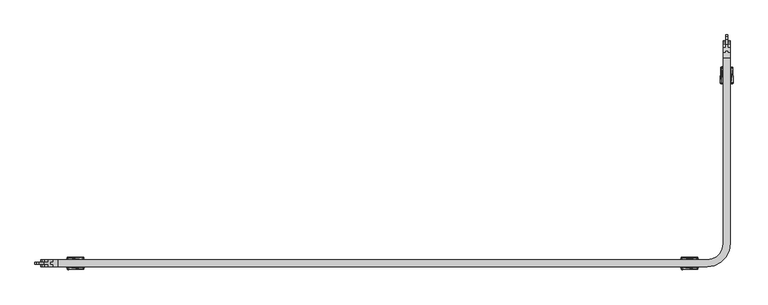
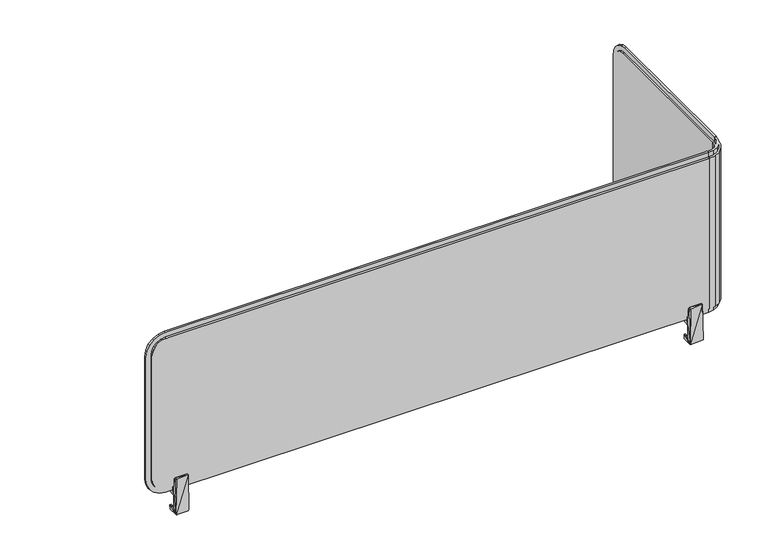
"""IFC4 building model written with IfcOpenShell, lengths in millimetres: furniture geometry."""

from ifc_helpers import new_model, si_unit, origin, place, context, project, spatial, triangles, source, transform, mapped, element, save


def furniture_8d1a7c60(model_context):
    return source(origin(), model_context, "Body", "Tessellation", [
        triangles([(3256.1908272, 2993.8171426, 1058.9999674), (3256.1908272, 2644.0671247, 1089.0000257), (3256.1908272, 2963.8171206, 1089.0000257), (3256.1908272, 2644.0671247, 760.9999884), (3256.1908272, 2993.8171426, 790.9999741), (3256.1908272, 2963.8171206, 760.9999884), (3256.1908272, 2992.3491363, 781.7290283), (3256.1908272, 2988.0881318, 773.3660213), (3256.1908272, 2981.4511459, 766.7289991), (3256.1908272, 2973.088139, 762.4679947), (3256.1908272, 2992.3491363, 1068.2709858), (3256.1908272, 2988.0881318, 1076.6339928), (3256.1908272, 2981.4511459, 1083.271015), (3256.1908272, 2973.088139, 1087.5320194), (3258.5778545, 2633.7861388, 760.9999884), (3256.1898462, 2643.567137, 760.9999884), (3260.1898564, 2643.567137, 760.9999884), (3254.7738352, 2635.0221281, 760.9999884), (3254.0498242, 2624.9671277, 760.9999884), (3250.8138299, 2627.319128, 760.9999884), (3247.0408407, 2617.958126, 760.9999884), (3244.6888404, 2621.1941385, 760.9999884), (3238.2218296, 2613.4301321, 760.9999884), (3236.9858585, 2617.2341332, 760.9999884), (3228.4408496, 2611.8181302, 760.9999884), (3228.4408496, 2615.8181404, 760.9999884), (3254.7738352, 2635.0221281, 1089.0000257), (3256.1898462, 2643.567137, 1089.0000257), (3250.8138299, 2627.319128, 1089.0000257), (3244.6888404, 2621.1941385, 1089.0000257), (3236.9858585, 2617.2341332, 1089.0000257), (3228.4408496, 2615.8181404, 1089.0000257), (3227.9408437, 2615.817123, 1089.0000257), (3227.9408437, 2611.817131, 760.9999884), (3227.9408437, 2615.817123, 760.9999884), (3227.9408437, 2611.817131, 1089.0000257), (3227.9408437, 2607.8171389, 760.9999884), (3227.9408437, 2607.8171389, 1089.0000257), (3227.9408437, 2604.8171404, 760.9999884), (3227.9408437, 2604.8171404, 1089.0000257), (3227.9408437, 2607.8171389, 751.0000174), (3227.9408437, 2611.817131, 751.0000174), (3227.9408437, 2611.817131, 1098.9999968), (3227.9408437, 2607.8171389, 1098.9999968), (2078.1907834, 2615.817123, 1058.9999674), (2078.1907834, 2615.817123, 790.9999741), (2108.1908417, 2615.817123, 760.9999884), (2079.6588624, 2615.817123, 781.7290283), (2083.9197941, 2615.817123, 773.3660213), (2108.1908417, 2615.817123, 1089.0000257), (2079.6588624, 2615.817123, 1068.2709858), (2083.9197941, 2615.817123, 1076.6339928), (2090.556889, 2615.817123, 1083.271015), (2098.920768, 2615.817123, 1087.5320194), (2090.556889, 2615.817123, 766.7289991), (2098.920768, 2615.817123, 762.4679947), (3264.1908476, 2644.0671247, 760.9999884), (3260.1908374, 2644.0671247, 751.0000174), (3264.1908476, 2644.0671247, 751.0000174), (3260.1908374, 2644.0671247, 760.9999884), (3264.1908476, 2644.0671247, 1089.0000257), (3260.1908374, 2644.0671247, 1089.0000257), (3264.1908476, 2644.0671247, 1098.9999968), (3260.1908374, 2644.0671247, 1098.9999968), (3267.1908462, 2644.0671247, 1089.0000257), (3267.1908462, 2644.0671247, 760.9999884), (3264.1898303, 2643.567137, 1089.0000257), (3260.1898564, 2643.567137, 1098.9999968), (3264.1898303, 2643.567137, 1098.9999968), (3260.1898564, 2643.567137, 1089.0000257), (3264.1898303, 2643.567137, 751.0000174), (3260.1898564, 2643.567137, 751.0000174), (3264.1898303, 2643.567137, 760.9999884), (3267.1908462, 2643.567137, 1089.0000257), (3267.1908462, 2643.567137, 760.9999884), (3228.4408496, 2607.8181381, 760.9999884), (3228.4408496, 2611.8181302, 751.0000174), (3228.4408496, 2607.8181381, 751.0000174), (3228.4408496, 2607.8181381, 1089.0000257), (3228.4408496, 2611.8181302, 1089.0000257), (3228.4408496, 2607.8181381, 1098.9999968), (3228.4408496, 2611.8181302, 1098.9999968), (3228.4408496, 2604.8171404, 1089.0000257), (3228.4408496, 2604.8171404, 760.9999884), (3240.5518472, 2605.7751306, 760.9999884), (3228.1908285, 2603.8171287, 1089.0000257), (3228.1908285, 2603.8171287, 760.9999884), (3240.5518472, 2605.7751306, 1089.0000257), (3251.7018571, 2611.4561247, 760.9999884), (3251.7018571, 2611.4561247, 1089.0000257), (3260.5518256, 2620.3061295, 760.9999884), (3260.5518256, 2620.3061295, 1089.0000257), (3266.2328378, 2631.4561393, 760.9999884), (3266.2328378, 2631.4561393, 1089.0000257), (3268.1908579, 2643.8171399, 760.9999884), (3268.1908579, 2643.8171399, 1089.0000257), (3260.1908374, 2963.8171206, 760.9999884), (3260.1908374, 2963.8171206, 1089.0000257), (3260.1908374, 2993.8171426, 790.9999741), (3260.1908374, 2992.3491363, 781.7290283), (3260.1908374, 2988.0881318, 773.3660213), (3260.1908374, 2981.4511459, 766.7289991), (3260.1908374, 2973.088139, 762.4679947), (3260.1908374, 2993.8171426, 1058.9999674), (3260.1908374, 2973.088139, 1087.5320194), (3260.1908374, 2981.4511459, 1083.271015), (3260.1908374, 2988.0881318, 1076.6339928), (3260.1908374, 2992.3491363, 1068.2709858), (3238.2218296, 2613.4301321, 1089.0000257), (3247.0408407, 2617.958126, 1089.0000257), (3254.0498242, 2624.9671277, 1089.0000257), (3258.5778545, 2633.7861388, 1089.0000257), (2108.1908417, 2611.817131, 1089.0000257), (2108.1908417, 2611.817131, 760.9999884), (2078.1907834, 2611.817131, 1058.9999674), (2079.6588624, 2611.817131, 1068.2709858), (2083.9197941, 2611.817131, 1076.6339928), (2090.556889, 2611.817131, 1083.271015), (2098.920768, 2611.817131, 1087.5320194), (2078.1907834, 2611.817131, 790.9999741), (2098.920768, 2611.817131, 762.4679947), (2090.556889, 2611.817131, 766.7289991), (2083.9197941, 2611.817131, 773.3660213), (2079.6588624, 2611.817131, 781.7290283), (3262.3818374, 2632.5501314, 751.0000174), (3258.5778545, 2633.7861388, 751.0000174), (3257.2858549, 2622.6161266, 751.0000174), (3254.0498242, 2624.9671277, 751.0000174), (3247.0408407, 2617.958126, 751.0000174), (3249.3918236, 2614.7221317, 751.0000174), (3238.2218296, 2613.4301321, 751.0000174), (3239.457837, 2609.626131, 751.0000174), (3260.1908374, 2963.8171206, 751.0000174), (3264.1908476, 2963.8171206, 751.0000174), (2108.1908417, 2611.817131, 751.0000174), (2108.1908417, 2607.8171389, 751.0000174), (3262.3818374, 2632.5501314, 760.9999884), (3257.2858549, 2622.6161266, 760.9999884), (3249.3918236, 2614.7221317, 760.9999884), (3239.457837, 2609.626131, 760.9999884), (3264.1908476, 2963.8171206, 760.9999884), (3268.1908579, 2963.8171206, 760.9999884), (2108.1908417, 2603.8171287, 760.9999884), (2108.1908417, 2607.8171389, 760.9999884), (3264.1908476, 2963.8171206, 1089.0000257), (3264.1908476, 2963.8171206, 1098.9999968), (3264.1908476, 2976.1781393, 1097.0419767), (3264.1908476, 2973.088139, 1087.5320194), (3264.1908476, 2987.3281491, 1091.3610008), (3264.1908476, 2981.4511459, 1083.271015), (3264.1908476, 2996.1781177, 1082.5110323), (3264.1908476, 2988.0881318, 1076.6339928), (3264.1908476, 3001.8591299, 1071.3609861), (3264.1908476, 2992.3491363, 1068.2709858), (3264.1908476, 3003.8171136, 1058.9999674), (3264.1908476, 2993.8171426, 1058.9999674), (3264.1908476, 3003.8171136, 790.9999741), (3264.1908476, 2993.8171426, 790.9999741), (3264.1908476, 2992.3491363, 781.7290283), (3264.1908476, 3001.8591299, 778.639028), (3264.1908476, 2988.0881318, 773.3660213), (3264.1908476, 2996.1781177, 767.4889818), (3264.1908476, 2981.4511459, 766.7289991), (3264.1908476, 2987.3281491, 758.6390133), (3264.1908476, 2973.088139, 762.4679947), (3264.1908476, 2976.1781393, 752.9579647), (3268.1908579, 2963.8171206, 1089.0000257), (3262.3818374, 2632.5501314, 1089.0000257), (3257.2858549, 2622.6161266, 1089.0000257), (3249.3918236, 2614.7221317, 1089.0000257), (3239.457837, 2609.626131, 1089.0000257), (2108.1908417, 2603.8171287, 1089.0000257), (2108.1908417, 2607.8171389, 1089.0000257), (2108.1908417, 2611.817131, 1098.9999968), (2095.829823, 2611.817131, 1097.0419767), (2084.6797768, 2611.817131, 1091.3610008), (2075.829881, 2611.817131, 1082.5110323), (2070.1488324, 2611.817131, 1071.3609861), (2068.1908124, 2611.817131, 1058.9999674), (2068.1908124, 2611.817131, 790.9999741), (2070.1488324, 2611.817131, 778.639028), (2075.829881, 2611.817131, 767.4889818), (2084.6797768, 2611.817131, 758.6390133), (2095.829823, 2611.817131, 752.9579647), (3260.1908374, 3003.8171136, 1058.9999674), (3260.1908374, 3001.8591299, 1071.3609861), (3260.1908374, 2996.1781177, 1082.5110323), (3260.1908374, 2987.3281491, 1091.3610008), (3260.1908374, 2976.1781393, 1097.0419767), (3260.1908374, 2963.8171206, 1098.9999968), (3260.1908374, 3003.8171136, 790.9999741), (3260.1908374, 3001.8591299, 778.639028), (3260.1908374, 2996.1781177, 767.4889818), (3260.1908374, 2987.3281491, 758.6390133), (3260.1908374, 2976.1781393, 752.9579647), (3262.3818374, 2632.5501314, 1098.9999968), (3258.5778545, 2633.7861388, 1098.9999968), (3257.2858549, 2622.6161266, 1098.9999968), (3254.0498242, 2624.9671277, 1098.9999968), (3247.0408407, 2617.958126, 1098.9999968), (3249.3918236, 2614.7221317, 1098.9999968), (3238.2218296, 2613.4301321, 1098.9999968), (3239.457837, 2609.626131, 1098.9999968), (2108.1908417, 2607.8171389, 1098.9999968), (2095.829823, 2607.8171389, 1097.0419767), (2084.6797768, 2607.8171389, 1091.3610008), (2075.829881, 2607.8171389, 1082.5110323), (2070.1488324, 2607.8171389, 1071.3609861), (2068.1908124, 2607.8171389, 1058.9999674), (2098.920768, 2607.8171389, 1087.5320194), (2090.556889, 2607.8171389, 1083.271015), (2083.9197941, 2607.8171389, 1076.6339928), (2079.6588624, 2607.8171389, 1068.2709858), (2078.1907834, 2607.8171389, 1058.9999674), (2078.1907834, 2607.8171389, 790.9999741), (2068.1908124, 2607.8171389, 790.9999741), (2079.6588624, 2607.8171389, 781.7290283), (2070.1488324, 2607.8171389, 778.639028), (2083.9197941, 2607.8171389, 773.3660213), (2075.829881, 2607.8171389, 767.4889818), (2090.556889, 2607.8171389, 766.7289991), (2084.6797768, 2607.8171389, 758.6390133), (2098.920768, 2607.8171389, 762.4679947), (2095.829823, 2607.8171389, 752.9579647), (2098.920768, 2603.8171287, 762.4679947), (2090.556889, 2603.8171287, 766.7289991), (2083.9197941, 2603.8171287, 773.3660213), (2079.6588624, 2603.8171287, 781.7290283), (2078.1907834, 2603.8171287, 790.9999741), (2078.1907834, 2603.8171287, 1058.9999674), (2079.6588624, 2603.8171287, 1068.2709858), (2083.9197941, 2603.8171287, 1076.6339928), (2090.556889, 2603.8171287, 1083.271015), (2098.920768, 2603.8171287, 1087.5320194), (3268.1908579, 2993.8171426, 790.9999741), (3268.1908579, 2992.3491363, 781.7290283), (3268.1908579, 2981.4511459, 1083.271015), (3268.1908579, 2973.088139, 1087.5320194), (3268.1908579, 2988.0881318, 1076.6339928), (3268.1908579, 2992.3491363, 1068.2709858), (3268.1908579, 2993.8171426, 1058.9999674), (3268.1908579, 2988.0881318, 773.3660213), (3268.1908579, 2981.4511459, 766.7289991), (3268.1908579, 2973.088139, 762.4679947)], [[1, 2, 3], [4, 2, 1], [1, 5, 4], [5, 6, 4], [5, 7, 6], [7, 8, 6], [8, 9, 6], [9, 10, 6], [3, 11, 1], [3, 12, 11], [3, 13, 12], [3, 14, 13], [15, 16, 17], [15, 18, 16], [19, 18, 15], [19, 20, 18], [21, 20, 19], [21, 22, 20], [23, 22, 21], [23, 24, 22], [25, 24, 23], [25, 26, 24], [16, 27, 28], [18, 27, 16], [29, 27, 18], [20, 29, 18], [30, 29, 20], [22, 30, 20], [24, 30, 22], [31, 30, 24], [32, 31, 24], [24, 26, 32], [33, 34, 35], [36, 34, 33], [37, 34, 36], [38, 37, 36], [39, 37, 38], [40, 39, 38], [34, 41, 42], [37, 41, 34], [38, 43, 44], [36, 43, 38], [35, 45, 33], [35, 46, 45], [35, 47, 46], [47, 48, 46], [47, 49, 48], [45, 50, 33], [45, 51, 50], [51, 52, 50], [52, 53, 50], [53, 54, 50], [47, 55, 49], [47, 56, 55], [57, 58, 59], [60, 58, 57], [61, 60, 57], [62, 60, 61], [63, 62, 61], [64, 62, 63], [62, 4, 60], [2, 4, 62], [57, 65, 61], [66, 65, 57], [67, 68, 69], [70, 68, 67], [17, 70, 67], [28, 70, 17], [16, 28, 17], [17, 71, 72], [73, 71, 17], [67, 73, 17], [74, 73, 67], [75, 73, 74], [76, 77, 78], [25, 77, 76], [79, 25, 76], [80, 25, 79], [81, 80, 79], [82, 80, 81], [25, 32, 26], [80, 32, 25], [76, 83, 79], [84, 83, 76], [66, 74, 65], [75, 74, 66], [84, 40, 83], [39, 40, 84], [85, 86, 87], [88, 86, 85], [89, 88, 85], [90, 88, 89], [91, 90, 89], [92, 90, 91], [93, 92, 91], [94, 92, 93], [95, 94, 93], [96, 94, 95], [6, 60, 4], [97, 60, 6], [2, 98, 3], [62, 98, 2], [99, 7, 5], [100, 7, 99], [8, 7, 100], [101, 8, 100], [9, 8, 101], [102, 9, 101], [10, 9, 102], [103, 10, 102], [97, 10, 103], [6, 10, 97], [1, 99, 5], [104, 99, 1], [98, 14, 3], [105, 14, 98], [13, 14, 105], [106, 13, 105], [12, 13, 106], [107, 12, 106], [11, 12, 107], [108, 11, 107], [104, 11, 108], [1, 11, 104], [80, 31, 32], [109, 31, 80], [30, 31, 109], [110, 30, 109], [29, 30, 110], [111, 29, 110], [27, 29, 111], [112, 27, 111], [28, 27, 112], [70, 28, 112], [33, 113, 36], [50, 113, 33], [34, 47, 35], [114, 47, 34], [115, 51, 45], [116, 51, 115], [52, 51, 116], [117, 52, 116], [53, 52, 117], [118, 53, 117], [54, 53, 118], [119, 54, 118], [113, 54, 119], [50, 54, 113], [46, 115, 45], [120, 115, 46], [114, 56, 47], [121, 56, 114], [55, 56, 121], [122, 55, 121], [49, 55, 122], [123, 49, 122], [48, 49, 123], [124, 48, 123], [120, 48, 124], [46, 48, 120], [125, 72, 71], [125, 126, 72], [127, 126, 125], [127, 128, 126], [129, 128, 127], [130, 129, 127], [131, 129, 130], [132, 131, 130], [77, 131, 132], [78, 77, 132], [133, 59, 58], [134, 59, 133], [41, 135, 42], [136, 135, 41], [72, 15, 17], [126, 15, 72], [19, 15, 126], [128, 19, 126], [21, 19, 128], [129, 21, 128], [23, 21, 129], [131, 23, 129], [77, 23, 131], [25, 23, 77], [73, 125, 71], [137, 125, 73], [127, 125, 137], [138, 127, 137], [130, 127, 138], [139, 130, 138], [132, 130, 139], [140, 132, 139], [76, 132, 140], [78, 132, 76], [141, 66, 57], [142, 66, 141], [95, 66, 142], [75, 66, 95], [93, 75, 95], [137, 75, 93], [138, 137, 93], [137, 73, 75], [91, 138, 93], [139, 138, 91], [89, 139, 91], [140, 139, 89], [85, 140, 89], [76, 140, 85], [84, 76, 85], [87, 84, 85], [39, 84, 87], [143, 39, 87], [144, 39, 143], [37, 39, 144], [145, 63, 61], [146, 63, 145], [147, 146, 145], [145, 148, 147], [149, 147, 148], [148, 150, 149], [151, 149, 150], [150, 152, 151], [153, 151, 152], [152, 154, 153], [155, 153, 154], [154, 156, 155], [157, 155, 156], [158, 157, 156], [159, 157, 158], [160, 157, 159], [161, 160, 159], [162, 160, 161], [163, 162, 161], [164, 162, 163], [165, 164, 163], [166, 164, 165], [141, 166, 165], [134, 166, 141], [57, 134, 141], [59, 134, 57], [65, 145, 61], [167, 145, 65], [96, 167, 65], [74, 96, 65], [94, 96, 74], [168, 94, 74], [169, 94, 168], [92, 94, 169], [170, 92, 169], [90, 92, 170], [171, 90, 170], [88, 90, 171], [79, 88, 171], [83, 88, 79], [86, 88, 83], [40, 86, 83], [172, 86, 40], [173, 172, 40], [40, 38, 173], [74, 67, 168], [113, 43, 36], [174, 43, 113], [175, 174, 113], [113, 176, 175], [113, 119, 176], [119, 118, 176], [177, 176, 118], [118, 117, 177], [178, 177, 117], [117, 116, 178], [179, 178, 116], [116, 115, 179], [180, 179, 115], [120, 180, 115], [124, 180, 120], [181, 180, 124], [123, 181, 124], [182, 181, 123], [122, 182, 123], [183, 182, 122], [121, 183, 122], [114, 183, 121], [114, 184, 183], [135, 184, 114], [135, 34, 42], [114, 34, 135], [185, 108, 186], [185, 104, 108], [99, 104, 185], [107, 186, 108], [187, 186, 107], [106, 187, 107], [188, 187, 106], [105, 188, 106], [189, 188, 105], [98, 189, 105], [190, 189, 98], [62, 190, 98], [64, 190, 62], [191, 99, 185], [100, 99, 191], [192, 100, 191], [101, 100, 192], [193, 101, 192], [102, 101, 193], [194, 102, 193], [103, 102, 194], [195, 103, 194], [97, 103, 195], [133, 97, 195], [58, 97, 133], [60, 97, 58], [68, 196, 69], [68, 197, 196], [198, 196, 197], [197, 199, 198], [200, 198, 199], [201, 198, 200], [202, 201, 200], [203, 201, 202], [82, 203, 202], [81, 203, 82], [64, 146, 190], [63, 146, 64], [204, 43, 174], [44, 43, 204], [112, 68, 70], [197, 68, 112], [199, 197, 112], [111, 199, 112], [200, 199, 111], [110, 200, 111], [202, 200, 110], [109, 202, 110], [82, 202, 109], [80, 82, 109], [196, 67, 69], [168, 67, 196], [169, 168, 196], [198, 169, 196], [170, 169, 198], [201, 170, 198], [171, 170, 201], [203, 171, 201], [79, 171, 203], [81, 79, 203], [186, 155, 185], [153, 155, 186], [187, 153, 186], [151, 153, 187], [188, 151, 187], [149, 151, 188], [189, 149, 188], [147, 149, 189], [190, 147, 189], [146, 147, 190], [157, 185, 155], [191, 185, 157], [160, 191, 157], [192, 191, 160], [162, 192, 160], [193, 192, 162], [164, 193, 162], [194, 193, 164], [166, 194, 164], [195, 194, 166], [134, 195, 166], [133, 195, 134], [175, 204, 174], [205, 204, 175], [176, 205, 175], [206, 205, 176], [177, 206, 176], [207, 206, 177], [178, 207, 177], [208, 207, 178], [179, 208, 178], [209, 208, 179], [204, 38, 44], [173, 38, 204], [205, 173, 204], [206, 173, 205], [206, 210, 173], [206, 211, 210], [207, 211, 206], [207, 212, 211], [208, 212, 207], [208, 213, 212], [209, 213, 208], [209, 214, 213], [215, 214, 209], [216, 215, 209], [217, 215, 216], [218, 217, 216], [219, 217, 218], [220, 219, 218], [221, 219, 220], [222, 221, 220], [223, 221, 222], [144, 223, 222], [144, 41, 37], [136, 41, 144], [224, 136, 144], [144, 222, 224], [143, 223, 144], [225, 223, 143], [221, 223, 225], [226, 221, 225], [219, 221, 226], [227, 219, 226], [217, 219, 227], [228, 217, 227], [229, 217, 228], [215, 217, 229], [86, 172, 230], [172, 231, 230], [172, 232, 231], [230, 87, 86], [230, 229, 87], [229, 143, 87], [229, 228, 143], [228, 227, 143], [227, 226, 143], [226, 225, 143], [172, 233, 232], [172, 234, 233], [230, 213, 214], [231, 213, 230], [212, 213, 231], [232, 212, 231], [211, 212, 232], [233, 211, 232], [210, 211, 233], [234, 210, 233], [172, 210, 234], [173, 210, 172], [230, 215, 229], [214, 215, 230], [95, 167, 96], [142, 167, 95], [142, 235, 167], [142, 236, 235], [167, 237, 238], [239, 237, 167], [240, 239, 167], [167, 241, 240], [235, 241, 167], [142, 242, 236], [142, 243, 242], [142, 244, 243], [235, 156, 241], [158, 156, 235], [235, 159, 158], [236, 159, 235], [161, 159, 236], [242, 161, 236], [163, 161, 242], [243, 163, 242], [165, 163, 243], [244, 165, 243], [142, 165, 244], [141, 165, 142], [167, 148, 145], [238, 148, 167], [150, 148, 238], [237, 150, 238], [152, 150, 237], [239, 152, 237], [154, 152, 239], [240, 154, 239], [241, 154, 240], [156, 154, 241], [209, 180, 216], [179, 180, 209], [181, 216, 180], [218, 216, 181], [182, 218, 181], [220, 218, 182], [183, 220, 182], [222, 220, 183], [184, 222, 183], [224, 222, 184], [135, 224, 184], [136, 224, 135]]),
        triangles([(2153.0568532, 2603.8171287, 740.9999737), (2153.0568532, 2603.8171287, 712.4999691), (2150.1908944, 2603.8171287, 713.0000113), (2123.3248017, 2603.8171287, 740.9999737), (2126.1909058, 2603.8171287, 713.0000113), (2123.3248017, 2603.8171287, 712.4999691), (2150.1908944, 2603.8171287, 699.4169741), (2126.1909058, 2603.8171287, 699.4169741), (2152.4298566, 2599.791139, 701.5530355), (2150.6378148, 2599.791139, 778.7390219), (2153.1828629, 2603.5011233, 764.6909695), (2152.5068867, 2603.1791408, 776.9910181), (2152.6347859, 2620.0821243, 741.5000158), (2152.9849099, 2611.6921386, 751.0000174), (2153.0898453, 2607.6921284, 751.0000174), (2153.0898453, 2607.6921284, 760.5000189), (2152.8828812, 2615.5671383, 764.3750004), (2152.1638844, 2619.593128, 776.7929924), (2152.2478909, 2615.8931358, 776.8410273), (2152.9849099, 2611.6921386, 760.5000189), (2125.8237771, 2617.8171281, 712.6330278), (2125.8237771, 2617.8171281, 700.0170101), (2124.8178792, 2598.817125, 702.053005), (2123.9517983, 2599.791139, 776.9469801), (2123.1987919, 2603.5011233, 764.6909695), (2123.8747681, 2603.1791408, 776.9910181), (2123.6909131, 2617.8171281, 712.1340031), (2123.8298581, 2617.8171281, 702.4329964), (2150.5578778, 2617.8171281, 712.6330278), (2152.3247758, 2617.8171281, 712.4990244), (2150.5578778, 2617.8171281, 700.0170101), (2125.7438401, 2599.791139, 699.7609938), (2150.6378148, 2599.791139, 699.7609938), (2151.7647809, 2617.8171281, 701.0510313), (2152.5507794, 2617.8171281, 702.4329964), (2150.2958298, 2607.6921284, 760.5000189), (2150.0468625, 2607.6921284, 751.0000174), (2150.5148572, 2603.5011233, 764.6909695), (2150.1908944, 2611.6921386, 760.5000189), (2150.1908944, 2615.5671383, 764.3750004), (2149.9417817, 2611.6921386, 751.0000174), (2126.1909058, 2615.5671383, 764.3750004), (2123.4987736, 2615.5671383, 764.3750004), (2126.1909058, 2611.6921386, 760.5000189), (2123.3968903, 2611.6921386, 760.5000189), (2123.3968903, 2611.6921386, 751.0000174), (2126.4398732, 2611.6921386, 751.0000174), (2126.3347924, 2607.6921284, 751.0000174), (2123.2918095, 2607.6921284, 751.0000174), (2126.085825, 2607.6921284, 760.5000189), (2123.2918095, 2607.6921284, 760.5000189), (2125.8667977, 2603.5011233, 764.6909695), (2124.1097829, 2620.0741306, 740.7930096), (2123.746869, 2620.0821243, 774.4999638), (2124.1339093, 2615.8931358, 776.8410273), (2125.8487755, 2615.9381367, 778.5550215), (2150.5328793, 2615.9381367, 778.5550215), (2125.8979005, 2619.593128, 778.4720324), (2148.1908711, 2620.0821243, 778.9440239), (2126.2438096, 2598.817125, 777.8730137), (2149.9728844, 2604.0301244, 744.4999781), (2126.4087704, 2604.0301244, 744.4999781), (2150.6818528, 2603.1311241, 778.8140173), (2125.6998021, 2603.1311241, 778.8140173), (2149.6838032, 2615.04713, 744.4999781), (2126.6978516, 2615.04713, 744.4999781), (2124.6037934, 2620.5671238, 741.5000158), (2151.7778615, 2620.5671238, 741.5000158), (2124.6037934, 2619.5671303, 740.5000042), (2151.7778615, 2620.0671361, 740.6340076), (3212.8068474, 2603.8171287, 740.9999737), (3212.8068474, 2603.8171287, 712.4999691), (3209.9408523, 2603.8171287, 713.0000113), (3183.0748323, 2603.8171287, 740.9999737), (3185.9408274, 2603.8171287, 713.0000113), (3183.0748323, 2603.8171287, 712.4999691), (3209.9408523, 2603.8171287, 699.4169741), (3185.9408274, 2603.8171287, 699.4169741), (3212.1798508, 2599.791139, 701.5530355), (3210.3878454, 2599.791139, 778.7390219), (3212.9328572, 2603.5011233, 764.6909695), (3212.2568447, 2603.1791408, 776.9910181), (3212.3848529, 2620.0821243, 741.5000158), (3212.7348315, 2611.6921386, 751.0000174), (3212.8398396, 2607.6921284, 751.0000174), (3212.8398396, 2607.6921284, 760.5000189), (3212.6328392, 2615.5671383, 764.3750004), (3211.912825, 2619.593128, 776.7929924), (3211.9978489, 2615.8931358, 776.8410273), (3212.7348315, 2611.6921386, 760.5000189), (3185.573844, 2617.8171281, 712.6330278), (3185.573844, 2617.8171281, 700.0170101), (3184.5678371, 2598.817125, 702.053005), (3183.7018289, 2599.791139, 776.9469801), (3182.9488226, 2603.5011233, 764.6909695), (3183.6248351, 2603.1791408, 776.9910181), (3183.4418521, 2617.8171281, 712.1340031), (3183.5798524, 2617.8171281, 702.4329964), (3210.3078357, 2617.8171281, 712.6330278), (3212.0748427, 2617.8171281, 712.4990244), (3210.3078357, 2617.8171281, 700.0170101), (3185.4938344, 2599.791139, 699.7609938), (3211.5148478, 2617.8171281, 701.0510313), (3212.3018274, 2617.8171281, 702.4329964), (3210.0458241, 2607.6921284, 760.5000189), (3209.7968568, 2607.6921284, 751.0000174), (3210.2648514, 2603.5011233, 764.6909695), (3209.9408523, 2611.6921386, 760.5000189), (3209.9408523, 2615.5671383, 764.3750004), (3209.6918486, 2611.6921386, 751.0000174), (3185.9408274, 2615.5671383, 764.3750004), (3183.2488406, 2615.5671383, 764.3750004), (3185.9408274, 2611.6921386, 760.5000189), (3183.1468483, 2611.6921386, 760.5000189), (3183.1468483, 2611.6921386, 751.0000174), (3186.1898311, 2611.6921386, 751.0000174), (3186.084823, 2607.6921284, 751.0000174), (3183.0418401, 2607.6921284, 751.0000174), (3185.8358556, 2607.6921284, 760.5000189), (3183.0418401, 2607.6921284, 760.5000189), (3185.6168283, 2603.5011233, 764.6909695), (3183.8598498, 2620.0741306, 740.7930096), (3183.4968269, 2620.0821243, 774.4999638), (3183.8838309, 2615.8931358, 776.8410273), (3185.5988425, 2615.9381367, 778.5550215), (3210.2828373, 2615.9381367, 778.5550215), (3185.6478584, 2619.593128, 778.4720324), (3207.9408291, 2620.0821243, 778.9440239), (3185.9938402, 2598.817125, 777.8730137), (3209.7228424, 2604.0301244, 744.4999781), (3186.1588374, 2604.0301244, 744.4999781), (3210.4318471, 2603.1311241, 778.8140173), (3185.4488516, 2603.1311241, 778.8140173), (3209.4338339, 2615.04713, 744.4999781), (3186.4478459, 2615.04713, 744.4999781), (3184.353824, 2620.5671238, 741.5000158), (3184.353824, 2619.5671303, 740.5000042), (3211.5278557, 2620.0671361, 740.6340076), (3268.1908579, 2948.6831243, 740.9999737), (3268.1908579, 2948.6831243, 712.4999691), (3268.1908579, 2945.8171291, 713.0000113), (3268.1908579, 2918.9511455, 740.9999737), (3268.1908579, 2921.8171406, 713.0000113), (3268.1908579, 2918.9511455, 712.4999691), (3268.1908579, 2945.8171291, 699.4169741), (3268.1908579, 2921.8171406, 699.4169741), (3272.2168476, 2948.0561277, 701.5530355), (3272.2168476, 2946.2641222, 778.7390219), (3268.5068269, 2948.809134, 764.6909695), (3268.8288276, 2948.1331215, 776.9910181), (3251.9258259, 2948.2611297, 741.5000158), (3260.3158298, 2948.6111447, 751.0000174), (3264.31584, 2948.7161164, 751.0000174), (3264.31584, 2948.7161164, 760.5000189), (3256.4408483, 2948.509116, 764.3750004), (3252.4148586, 2947.7891381, 776.7929924), (3256.1148508, 2947.8741257, 776.8410273), (3260.3158298, 2948.6111447, 760.5000189), (3254.1908403, 2921.4501208, 712.6330278), (3254.1908403, 2921.4501208, 700.0170101), (3273.1908434, 2920.4441139, 702.053005), (3272.2168476, 2919.5781421, 776.9469801), (3268.5068269, 2918.8251357, 764.6909695), (3268.8288276, 2919.5011482, 776.9910181), (3254.1908403, 2919.3181289, 712.1340031), (3254.1908403, 2919.4561292, 702.4329964), (3254.1908403, 2946.1841489, 712.6330278), (3254.1908403, 2947.9511195, 712.4990244), (3254.1908403, 2946.1841489, 700.0170101), (3272.2168476, 2921.3701475, 699.7609938), (3254.1908403, 2947.3911246, 701.0510313), (3254.1908403, 2948.1781406, 702.4329964), (3264.31584, 2945.9221373, 760.5000189), (3264.31584, 2945.6731336, 751.0000174), (3268.5068269, 2946.1411283, 764.6909695), (3260.3158298, 2945.8171291, 760.5000189), (3256.4408483, 2945.8171291, 764.3750004), (3260.3158298, 2945.5681255, 751.0000174), (3256.4408483, 2921.8171406, 764.3750004), (3256.4408483, 2919.1251174, 764.3750004), (3260.3158298, 2921.8171406, 760.5000189), (3260.3158298, 2919.0231251, 760.5000189), (3260.3158298, 2919.0231251, 751.0000174), (3260.3158298, 2922.0661443, 751.0000174), (3264.31584, 2921.9611362, 751.0000174), (3264.31584, 2918.918117, 751.0000174), (3264.31584, 2921.7121325, 760.5000189), (3264.31584, 2918.918117, 760.5000189), (3268.5068269, 2921.4931415, 764.6909695), (3252.4278302, 2919.7301314, 740.6340076), (3251.9258259, 2919.3731401, 774.4999638), (3256.1148508, 2919.7601441, 776.8410273), (3256.0698317, 2921.4751193, 778.5550215), (3256.0698317, 2946.1591141, 778.5550215), (3252.4148586, 2921.5241352, 778.4720324), (3251.9258259, 2943.8171422, 778.9440239), (3273.1908434, 2921.870117, 777.8730137), (3267.9778258, 2945.5991192, 744.4999781), (3267.9778258, 2922.0351142, 744.4999781), (3268.8768262, 2946.3091413, 778.8140173), (3268.8768262, 2921.3251285, 778.8140173), (3256.9608384, 2945.310147, 744.4999781), (3256.9608384, 2922.3241227, 744.4999781), (3251.4408265, 2920.2301372, 741.5000158), (3252.4408381, 2947.4041326, 740.5000042), (3252.4408381, 2920.2301372, 740.5000042), (3251.9408323, 2947.4041326, 740.6340076), (3251.933856, 2919.7361266, 740.7930096), (3251.5748299, 2947.4041326, 740.9999737), (3252.4278302, 2947.9041384, 740.6340076), (3252.4178381, 2948.2701408, 740.9999737)], [[1, 2, 3], [1, 3, 4], [4, 3, 5], [4, 5, 6], [7, 8, 3], [3, 8, 5], [9, 2, 1], [9, 1, 10], [10, 1, 11], [10, 11, 12], [13, 14, 1], [1, 14, 15], [1, 15, 11], [11, 15, 16], [17, 14, 13], [18, 17, 13], [17, 18, 19], [17, 20, 14], [22, 21, 5], [22, 5, 8], [4, 6, 23], [24, 4, 23], [4, 24, 25], [25, 24, 26], [23, 6, 27], [23, 27, 28], [3, 2, 29], [29, 2, 30], [3, 29, 31], [3, 31, 7], [22, 8, 23], [22, 23, 28], [32, 8, 7], [32, 7, 33], [9, 33, 7], [5, 21, 27], [5, 27, 6], [9, 7, 31], [9, 31, 34], [9, 34, 35], [30, 2, 9], [30, 9, 35], [16, 15, 36], [36, 15, 37], [11, 16, 36], [11, 36, 38], [20, 17, 39], [39, 17, 40], [20, 39, 14], [14, 39, 41], [42, 43, 44], [44, 43, 45], [45, 46, 44], [44, 46, 47], [48, 49, 50], [50, 49, 51], [25, 52, 50], [25, 50, 51], [4, 46, 53], [53, 46, 43], [53, 43, 54], [55, 54, 43], [46, 4, 49], [25, 49, 4], [49, 25, 51], [46, 45, 43], [56, 57, 58], [58, 57, 59], [23, 60, 24], [60, 23, 32], [10, 60, 32], [10, 32, 9], [38, 61, 62], [38, 62, 52], [63, 38, 52], [63, 52, 64], [64, 52, 26], [52, 25, 26], [38, 63, 12], [12, 11, 38], [56, 40, 57], [57, 40, 19], [56, 55, 42], [56, 42, 40], [40, 42, 65], [65, 42, 66], [55, 43, 42], [40, 17, 19], [54, 55, 58], [58, 55, 56], [58, 67, 54], [54, 67, 53], [59, 18, 68], [59, 68, 67], [59, 67, 58], [67, 68, 69], [69, 68, 70], [1, 4, 70], [70, 4, 69], [53, 69, 4], [23, 8, 32], [41, 37, 14], [14, 37, 15], [47, 46, 48], [48, 46, 49], [38, 36, 37], [38, 37, 61], [61, 37, 65], [65, 37, 41], [65, 41, 40], [40, 41, 39], [59, 57, 18], [18, 57, 19], [68, 18, 13], [68, 13, 70], [13, 1, 70], [29, 30, 35], [29, 35, 31], [31, 35, 34], [22, 28, 21], [21, 28, 27], [32, 33, 9], [60, 64, 24], [24, 64, 26], [63, 64, 10], [10, 64, 60], [10, 12, 63], [48, 50, 52], [62, 48, 52], [48, 62, 66], [48, 66, 47], [42, 47, 66], [47, 42, 44], [61, 65, 66], [61, 66, 62], [69, 53, 67], [71, 72, 73], [71, 73, 74], [74, 73, 75], [74, 75, 76], [77, 78, 73], [73, 78, 75], [79, 72, 71], [79, 71, 80], [80, 71, 81], [80, 81, 82], [83, 84, 71], [71, 84, 85], [71, 85, 81], [81, 85, 86], [87, 84, 83], [88, 87, 83], [87, 88, 89], [87, 90, 84], [92, 91, 75], [92, 75, 78], [74, 76, 93], [94, 74, 93], [74, 94, 95], [95, 94, 96], [93, 76, 97], [93, 97, 98], [73, 72, 99], [99, 72, 100], [73, 99, 101], [73, 101, 77], [92, 78, 93], [92, 93, 98], [102, 78, 77], [102, 77, 79], [75, 91, 97], [75, 97, 76], [79, 77, 101], [79, 101, 103], [79, 103, 104], [100, 72, 79], [100, 79, 104], [86, 85, 105], [105, 85, 106], [81, 86, 105], [81, 105, 107], [90, 87, 108], [108, 87, 109], [90, 108, 84], [84, 108, 110], [111, 112, 113], [113, 112, 114], [114, 115, 113], [113, 115, 116], [117, 118, 119], [119, 118, 120], [95, 121, 119], [95, 119, 120], [74, 115, 122], [122, 115, 112], [122, 112, 123], [124, 123, 112], [115, 74, 118], [95, 118, 74], [118, 95, 120], [115, 114, 112], [125, 126, 127], [127, 126, 128], [93, 129, 94], [129, 93, 102], [80, 129, 102], [80, 102, 79], [107, 130, 131], [107, 131, 121], [132, 107, 121], [132, 121, 133], [133, 121, 96], [121, 95, 96], [107, 132, 82], [82, 81, 107], [125, 109, 126], [126, 109, 89], [125, 124, 111], [125, 111, 109], [109, 111, 134], [134, 111, 135], [124, 112, 111], [109, 87, 89], [123, 124, 127], [127, 124, 125], [123, 136, 122], [88, 83, 136], [88, 136, 127], [127, 136, 123], [136, 83, 137], [137, 83, 138], [71, 74, 138], [138, 74, 137], [122, 137, 74], [93, 78, 102], [110, 106, 84], [84, 106, 85], [116, 115, 117], [117, 115, 118], [107, 105, 106], [107, 106, 130], [130, 106, 134], [134, 106, 110], [134, 110, 109], [109, 110, 108], [128, 126, 88], [88, 126, 89], [88, 127, 128], [83, 71, 138], [99, 100, 104], [99, 104, 101], [101, 104, 103], [92, 98, 91], [91, 98, 97], [129, 133, 94], [94, 133, 96], [132, 133, 80], [80, 133, 129], [80, 82, 132], [117, 119, 121], [131, 117, 121], [117, 131, 135], [117, 135, 116], [111, 116, 135], [116, 111, 113], [130, 134, 135], [130, 135, 131], [137, 122, 136], [139, 140, 141], [139, 141, 142], [142, 141, 143], [142, 143, 144], [145, 146, 141], [141, 146, 143], [147, 140, 139], [147, 139, 148], [148, 139, 149], [148, 149, 150], [151, 152, 139], [139, 152, 153], [139, 153, 149], [149, 153, 154], [155, 152, 151], [156, 155, 151], [155, 156, 157], [155, 158, 152], [160, 159, 143], [160, 143, 146], [142, 144, 161], [162, 142, 161], [142, 162, 163], [163, 162, 164], [161, 144, 165], [161, 165, 166], [141, 140, 167], [167, 140, 168], [141, 167, 169], [141, 169, 145], [160, 146, 161], [160, 161, 166], [170, 146, 145], [170, 145, 147], [143, 159, 165], [143, 165, 144], [147, 145, 169], [147, 169, 171], [147, 171, 172], [168, 140, 147], [168, 147, 172], [154, 153, 173], [173, 153, 174], [149, 154, 173], [149, 173, 175], [158, 155, 176], [176, 155, 177], [158, 176, 152], [152, 176, 178], [179, 180, 181], [181, 180, 182], [182, 183, 181], [181, 183, 184], [185, 186, 187], [187, 186, 188], [163, 189, 187], [163, 187, 188], [142, 183, 190], [190, 183, 180], [190, 180, 191], [192, 191, 180], [183, 142, 186], [163, 186, 142], [186, 163, 188], [183, 182, 180], [193, 194, 195], [195, 194, 196], [161, 197, 162], [197, 161, 170], [148, 197, 170], [148, 170, 147], [175, 198, 199], [175, 199, 189], [200, 175, 189], [200, 189, 201], [201, 189, 164], [189, 163, 164], [175, 200, 150], [150, 149, 175], [193, 177, 194], [194, 177, 157], [193, 192, 179], [193, 179, 177], [177, 179, 202], [202, 179, 203], [192, 180, 179], [177, 155, 157], [191, 192, 195], [195, 192, 193], [191, 204, 190], [156, 151, 204], [156, 204, 195], [195, 204, 191], [205, 206, 207], [207, 206, 208], [208, 204, 151], [208, 151, 209], [208, 209, 207], [139, 142, 205], [205, 142, 206], [206, 142, 190], [161, 146, 170], [178, 174, 152], [152, 174, 153], [184, 183, 185], [185, 183, 186], [175, 173, 174], [175, 174, 198], [198, 174, 202], [202, 174, 178], [202, 178, 177], [177, 178, 176], [196, 194, 156], [156, 194, 157], [156, 195, 196], [210, 207, 209], [207, 210, 205], [209, 151, 211], [209, 211, 210], [151, 139, 211], [211, 139, 210], [205, 210, 139], [167, 168, 172], [167, 172, 169], [169, 172, 171], [160, 166, 159], [159, 166, 165], [197, 201, 162], [162, 201, 164], [200, 201, 148], [148, 201, 197], [148, 150, 200], [185, 187, 189], [199, 185, 189], [185, 199, 203], [185, 203, 184], [179, 184, 203], [184, 179, 181], [198, 202, 203], [198, 203, 199], [208, 206, 190], [190, 204, 208]]),
    ])


if __name__ == "__main__":
    model = new_model("IFC4")
    model_context = context("Model", 3, world=origin())
    ifc_project = project(units=[si_unit("LENGTHUNIT", "METRE", prefix="MILLI")], contexts=[model_context])
    site = spatial("IfcSite", under=ifc_project)
    building = spatial("IfcBuilding", under=site)
    placement = place(None, origin())
    furniture_shape = furniture_8d1a7c60(model_context)
    element("IfcFurniture", 1, at=placement, inside=building, context=model_context, shape_type="MappedRepresentation", body=[
        mapped(furniture_shape, transform((0.0, 0.0, 0.0), x_axis=(1.0, 0.0, 0.0), y_axis=(0.0, 1.0, 0.0), z_axis=(0.0, 0.0, 1.0))),
    ])
    save(model, "model.ifc")
